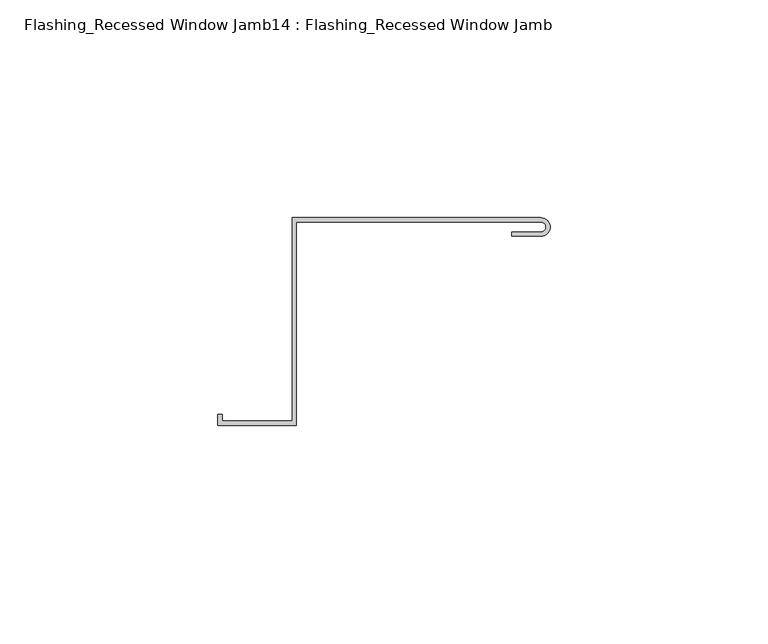
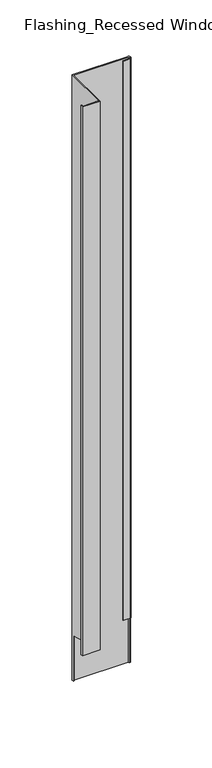
"""IFC4 building model written with IfcOpenShell, lengths in millimetres: proxy geometry, Flashing_Recessed Window Jamb14 : Flashing_Recessed Window Jamb."""

from ifc_helpers import new_model, si_unit, frame, origin, place, context, project, spatial, polyline, circle_curve, ellipse_curve, source, transform, mapped, element, save
from ifc_brep_helpers import plane_surface, cylinder_surface, revolved_surface, advanced_brep


def flashing_recessed_window_jamb14_flashing_recessed_window_2e50b59c(model_context):
    return source(origin(), model_context, "Body", "AdvancedBrep", [
        advanced_brep(
        [(12283.5658281, 10658.7344915, -27.6721404), (12226.4791786, 10658.7344915, -27.6721404), (12226.4791786, 10612.0490096, -27.6721404), (12210.4479286, 10612.0490096, -27.6721404), (12210.4479286, 10613.5934881, -27.6721404), (12209.4479286, 10613.5934881, -27.6721404), (12209.4479286, 10611.0490096, -27.6721404), (12227.4791786, 10611.0490096, -27.6721404), (12227.4791786, 10657.7344915, -27.6721404), (12283.5658281, 10657.7344915, -27.6721404), (12283.5658281, 10655.4621574, -27.6721404), (12276.8470781, 10655.4621574, -27.6721404), (12276.8470781, 10654.4621574, -27.6721404), (12283.5658281, 10654.4621574, -27.6721404), (12283.5658281, 10657.7344915, -688.2016371), (12227.4791786, 10657.7344915, -688.2016371), (12227.4791786, 10656.8026399, -688.2016371), (12226.4791786, 10656.8026399, -688.2016371), (12226.4791786, 10658.7344915, -688.2016371), (12283.5658281, 10658.7344915, -688.2016371), (12285.6922018, 10656.8026399, -688.2016371), (12284.6834734, 10656.8026399, -688.2016371), (12226.4791786, 10656.8026399, -638.7682442), (12226.4791786, 10612.0490096, -626.7765451), (12210.4479286, 10612.0490096, -626.7765451), (12210.4479286, 10613.5934881, -627.1903869), (12209.4479286, 10613.5934881, -627.1903869), (12209.4479286, 10611.0490096, -626.5085959), (12227.4791786, 10611.0490096, -626.5085959), (12227.4791786, 10656.8026399, -638.7682442), (12276.8470781, 10654.4621574, -638.1411138), (12283.5658281, 10654.4621574, -638.1411138), (12276.8470781, 10655.4621574, -638.409063), (12283.5658281, 10655.4621574, -638.409063), (12284.6834734, 10656.8026399, -638.7682442), (12285.6922018, 10656.8026399, -638.7682442)],
        [
            (0, 1),
            (1, 2),
            (2, 3),
            (3, 4),
            (4, 5),
            (5, 6),
            (6, 7),
            (7, 8),
            (8, 9),
            (9, 10, circle_curve(frame((12283.5658281, 10656.5983245, -27.6721404), z_axis=(0.0, 0.0, -1.0), x_axis=(1.0, 0.0, 0.0)), 1.1361671)),
            (10, 11),
            (11, 12),
            (12, 13),
            (13, 0, circle_curve(frame((12283.5658281, 10656.5983245, -27.6721404), z_axis=(0.0, 0.0, 1.0), x_axis=(1.0, 0.0, 0.0)), 2.1361671)),
            (14, 15),
            (15, 16),
            (16, 17),
            (17, 18),
            (18, 19),
            (19, 20, circle_curve(frame((12283.5658281, 10656.5983245, -688.2016371), z_axis=(0.0, 0.0, -1.0), x_axis=(1.0, 0.0, 0.0)), 2.1361671)),
            (20, 21),
            (21, 14, circle_curve(frame((12283.5658281, 10656.5983245, -688.2016371), z_axis=(0.0, 0.0, 1.0), x_axis=(1.0, 0.0, 0.0)), 1.1361671)),
            (0, 19),
            (18, 1),
            (17, 22),
            (22, 23),
            (23, 2),
            (23, 24),
            (24, 3),
            (24, 25),
            (25, 4),
            (25, 26),
            (26, 5),
            (26, 27),
            (27, 6),
            (27, 28),
            (28, 7),
            (28, 29),
            (29, 16),
            (15, 8),
            (14, 9),
            (12, 30),
            (30, 31),
            (31, 13),
            (11, 32),
            (32, 30),
            (10, 33),
            (33, 32),
            (21, 34),
            (34, 33, ellipse_curve(frame((12283.5658281, 10656.5983245, -638.713498), z_axis=(0.0, -0.25881904510252046, -0.9659258262890684), x_axis=(0.0, 0.9659258262890684, -0.25881904510251985)), 1.1762467, 1.1361671)),
            (31, 35, ellipse_curve(frame((12283.5658281, 10656.5983245, -638.713498), z_axis=(0.0, 0.25881904510252046, 0.9659258262890684), x_axis=(0.0, -0.9659258262890684, 0.25881904510251985)), 2.2115229, 2.1361671)),
            (35, 20),
            (22, 29),
            (34, 35),
        ],
        [
            plane_surface(frame((12211.4791786, 10612.0490096, -27.6721404), z_axis=(0.0, 0.0, 1.0), x_axis=(-1.0, 0.0, 0.0))),
            plane_surface(frame((12211.4791786, 10612.0490096, -688.2016371), z_axis=(0.0, 0.0, -1.0), x_axis=(1.0, 0.0, 0.0))),
            plane_surface(frame((12283.5658281, 10658.7344915, -27.6721404), z_axis=(0.0, 1.0, 0.0), x_axis=(0.0, 0.0, -1.0))),
            plane_surface(frame((12226.4791786, 10658.7344915, -27.6721404), z_axis=(-1.0, 0.0, 0.0), x_axis=(0.0, 0.0, -1.0))),
            plane_surface(frame((12226.4791786, 10612.0490096, -27.6721404), z_axis=(0.0, 1.0, 0.0), x_axis=(0.0, 0.0, -1.0))),
            plane_surface(frame((12210.4479286, 10612.0490096, -27.6721404), z_axis=(1.0, 0.0, 0.0), x_axis=(0.0, 0.0, -1.0))),
            plane_surface(frame((12210.4479286, 10613.5934881, -27.6721404), z_axis=(0.0, 1.0, 0.0), x_axis=(0.0, 0.0, -1.0))),
            plane_surface(frame((12209.4479286, 10613.5934881, -27.6721404), z_axis=(-1.0, 0.0, 0.0), x_axis=(0.0, 0.0, -1.0))),
            plane_surface(frame((12209.4479286, 10611.0490096, -27.6721404), z_axis=(0.0, -1.0, 0.0), x_axis=(0.0, 0.0, -1.0))),
            plane_surface(frame((12227.4791786, 10611.0490096, -27.6721404), z_axis=(1.0, 0.0, 0.0), x_axis=(0.0, 0.0, -1.0))),
            plane_surface(frame((12227.4791786, 10657.7344915, -27.6721404), z_axis=(0.0, -1.0, 0.0), x_axis=(0.0, 0.0, -1.0))),
            plane_surface(frame((12276.8470781, 10654.4621574, -27.6721404), z_axis=(0.0, -1.0, 0.0), x_axis=(0.0, 0.0, -1.0))),
            plane_surface(frame((12276.8470781, 10655.4621574, -27.6721404), z_axis=(-1.0, 0.0, 0.0), x_axis=(0.0, 0.0, -1.0))),
            plane_surface(frame((12283.5658281, 10655.4621574, -27.6721404), z_axis=(0.0, 1.0, 0.0), x_axis=(0.0, 0.0, -1.0))),
            revolved_surface(polyline([(12284.7019952, 10656.5983245, -688.2016371), (12284.7019952, 10656.5983245, -27.67214039999999)]), (12283.5658281, 10656.5983245, -688.2016371), (0.0, 0.0, -1.0)),
            cylinder_surface(frame((12283.5658281, 10656.5983245, -688.2016371), z_axis=(0.0, 0.0, 1.0), x_axis=(1.0, 0.0, 0.0)), 2.1361671),
            plane_surface(frame((12138.0345781, 10056.8026399, -477.9987287), z_axis=(0.0, -0.25881904510252046, -0.9659258262890684), x_axis=(1.0, 0.0, 0.0))),
            plane_surface(frame((12138.0345781, 10656.8026399, -638.7682442), z_axis=(0.0, -1.0, 0.0), x_axis=(1.0, 0.0, 0.0))),
        ],
        [
            (0, [[1, 2, 3, 4, 5, 6, 7, 8, 9, 10, 11, 12, 13, 14]]),
            (1, [[15, 16, 17, 18, 19, 20, 21, 22]]),
            (2, [[-1, 23, -19, 24]]),
            (3, [[-2, -24, -18, 25, 26, 27]]),
            (4, [[-3, -27, 28, 29]]),
            (5, [[-4, -29, 30, 31]]),
            (6, [[-5, -31, 32, 33]]),
            (7, [[-6, -33, 34, 35]]),
            (8, [[-7, -35, 36, 37]]),
            (9, [[-8, -37, 38, 39, -16, 40]]),
            (10, [[-9, -40, -15, 41]]),
            (11, [[-13, 42, 43, 44]]),
            (12, [[-12, 45, 46, -42]]),
            (13, [[-11, 47, 48, -45]]),
            (14, [[-10, -41, -22, 49, 50, -47]]),
            (15, [[-14, -44, 51, 52, -20, -23]]),
            (16, [[53, -38, -36, -34, -32, -30, -28, -26]]),
            (16, [[54, -51, -43, -46, -48, -50]]),
            (17, [[-53, -25, -17, -39]]),
            (17, [[-54, -49, -21, -52]]),
        ],
    ),
    ])


if __name__ == "__main__":
    model = new_model("IFC4")
    model_context = context("Model", 3, world=origin())
    ifc_project = project(units=[si_unit("LENGTHUNIT", "METRE", prefix="MILLI")], contexts=[model_context])
    site = spatial("IfcSite", under=ifc_project)
    building = spatial("IfcBuilding", under=site)
    placement = place(None, origin())
    flashing_recessed_window_jamb14_flashing_recessed_window_shape = flashing_recessed_window_jamb14_flashing_recessed_window_2e50b59c(model_context)
    element("IfcBuildingElementProxy", 1, Name="Flashing_Recessed Window Jamb14 : Flashing_Recessed Window Jamb", ObjectType="Flashing_Recessed Window Jamb14 : Flashing_Recessed Window Jamb", at=placement, inside=building, context=model_context, shape_type="MappedRepresentation", body=[
        mapped(flashing_recessed_window_jamb14_flashing_recessed_window_shape, transform((0.0, 0.0, 0.0), x_axis=(1.0, 0.0, 0.0), y_axis=(0.0, 1.0, 0.0), z_axis=(0.0, 0.0, 1.0))),
    ])
    save(model, "model.ifc")
